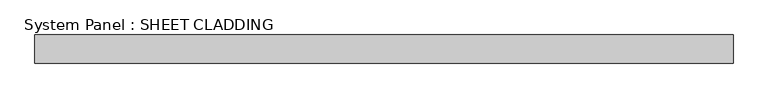
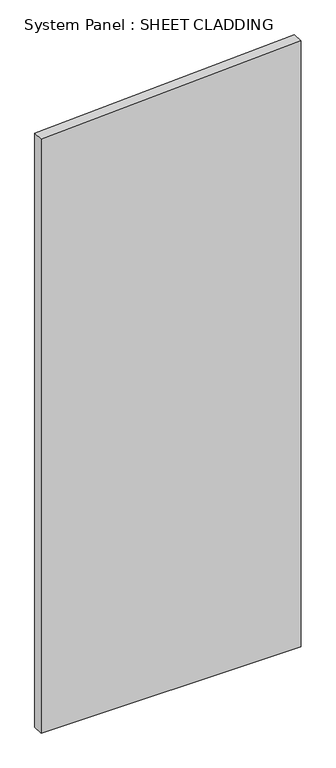
"""IFC4 building model written with IfcOpenShell, lengths in millimetres: plate geometry, System Panel : SHEET CLADDING."""

from ifc_helpers import new_model, si_unit, frame, origin, place, context, project, spatial, polyline, outline, extrude, source, transform, mapped, element, save


def system_panel_sheet_cladding_6f301a45(model_context):
    return source(origin(), model_context, "Body", "SweptSolid", [
        extrude(outline(polyline([(0.0, -735.4591837), (0.0, 735.4591837), (3623.4673469, 735.4591837), (3549.9214286, -735.4591837), (0.0, -735.4591837)])), frame((0.0, -10.5, 0.0), z_axis=(0.0, 1.0, 0.0), x_axis=(0.0, 0.0, 1.0)), (0.0, 0.0, 1.0), 60.0),
    ])


if __name__ == "__main__":
    model = new_model("IFC4")
    model_context = context("Model", 3, world=origin())
    ifc_project = project(units=[si_unit("LENGTHUNIT", "METRE", prefix="MILLI")], contexts=[model_context])
    site = spatial("IfcSite", under=ifc_project)
    building = spatial("IfcBuilding", under=site)
    placement = place(None, origin())
    system_panel_sheet_cladding_shape = system_panel_sheet_cladding_6f301a45(model_context)
    element("IfcPlate", 1, ObjectType="System Panel : SHEET CLADDING", at=placement, inside=building, context=model_context, shape_type="MappedRepresentation", body=[
        mapped(system_panel_sheet_cladding_shape, transform((0.0, 0.0, 0.0), x_axis=(1.0, 0.0, 0.0), y_axis=(0.0, 1.0, 0.0), z_axis=(0.0, 0.0, 1.0))),
    ])
    save(model, "model.ifc")
